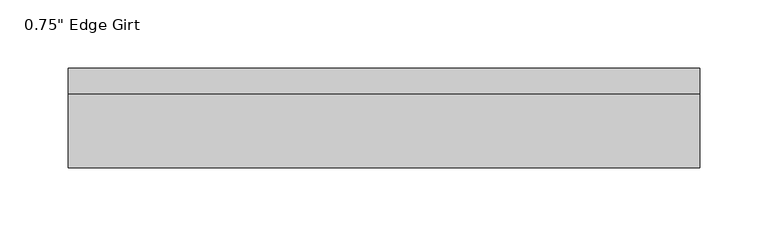
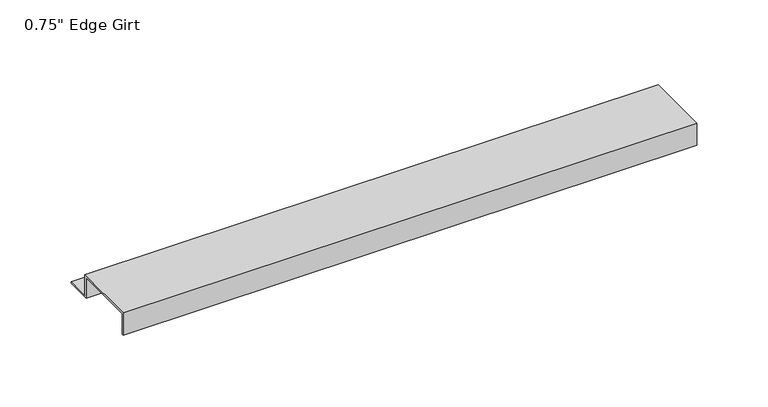
"""IFC4 building model written with IfcOpenShell, lengths in millimetres: proxy geometry."""

from ifc_helpers import new_model, si_unit, frame, origin, place, context, project, spatial, polyline, outline, extrude, source, transform, mapped, element, save


def proxy_38986798(model_context):
    return source(origin(), model_context, "Body", "SweptSolid", [
        extrude(outline(polyline([(46.0559645, -17.4375), (25.4, -17.4375), (25.4, 0.0), (-25.4, 0.0), (-25.4, -17.4375), (-27.0129, -17.4375), (-27.0129, 1.6129), (27.0129, 1.6129), (27.0129, -15.8242), (46.0559645, -15.8242), (46.0559645, -17.4375)])), frame((0.0, 0.0, 0.0), z_axis=(1.0, 0.0, 0.0), x_axis=(0.0, 1.0, 0.0)), (0.0, 0.0, 1.0), 463.8344709),
    ])


if __name__ == "__main__":
    model = new_model("IFC4")
    model_context = context("Model", 3, world=origin())
    ifc_project = project(units=[si_unit("LENGTHUNIT", "METRE", prefix="MILLI")], contexts=[model_context])
    site = spatial("IfcSite", under=ifc_project)
    building = spatial("IfcBuilding", under=site)
    placement = place(None, origin())
    proxy_shape = proxy_38986798(model_context)
    element("IfcBuildingElementProxy", 1, Name="0.75\" Edge Girt", ObjectType="0.75\" Edge Girt", at=placement, inside=building, context=model_context, shape_type="MappedRepresentation", body=[
        mapped(proxy_shape, transform((0.0, 0.0, 0.0), x_axis=(1.0, 0.0, 0.0), y_axis=(0.0, 1.0, 0.0), z_axis=(0.0, 0.0, 1.0))),
    ])
    save(model, "model.ifc")
